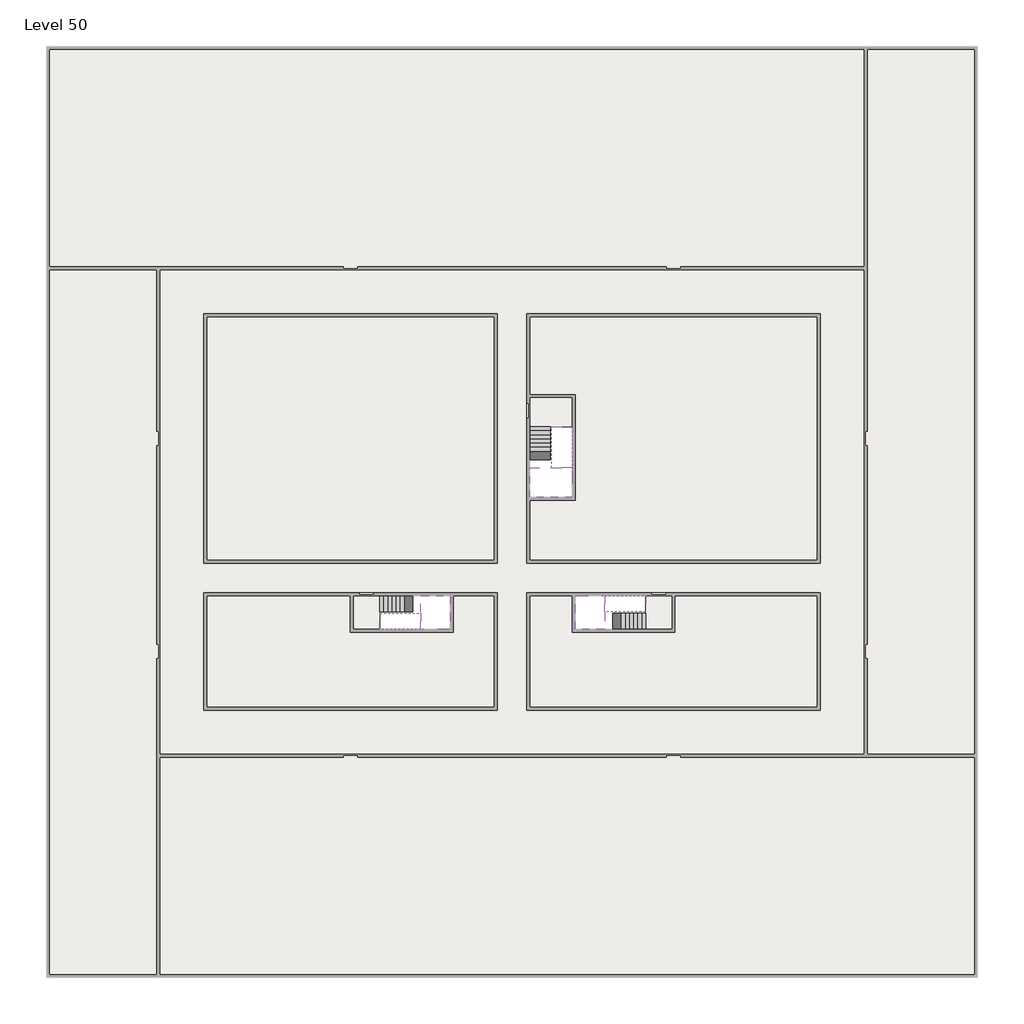
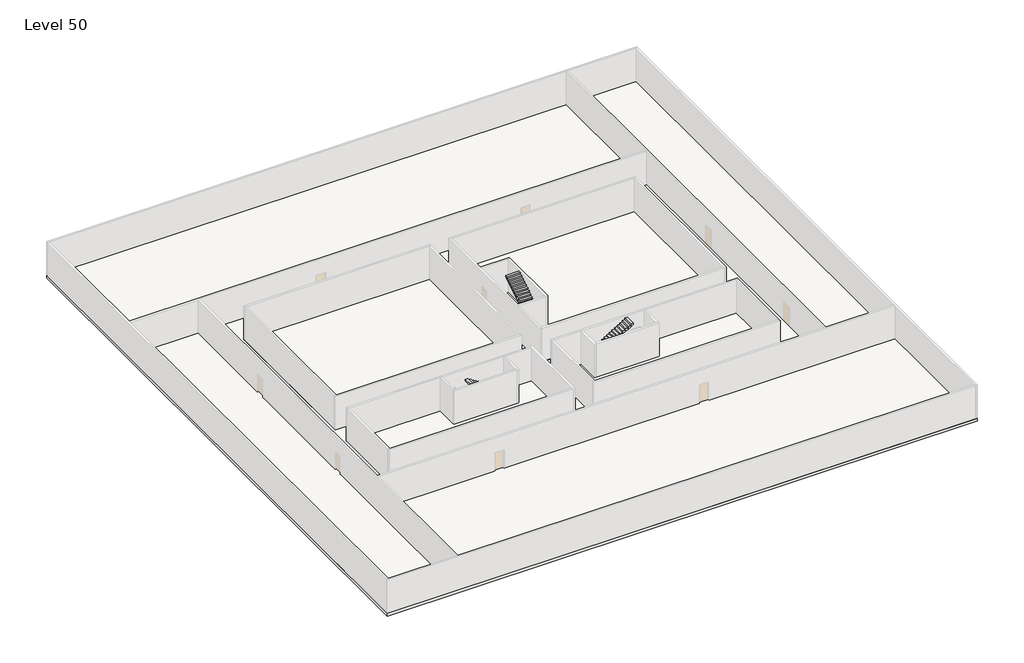
# One storey, part 2 of 2: 6 slabs, 6 stair flights.
"""IFC4 building model written with IfcOpenShell, lengths in millimetres."""

import ifcopenshell
import ifcopenshell.guid

model = None  # the IFC model being written
_history = None  # IfcOwnerHistory: only IFC2X3 demands one
_inside = {}  # id of a spatial element -> (the spatial element, [elements in it])
_under = {}  # id of a project, library or spatial element -> (it, [spatial elements below it])
_declared = {}  # id of a project -> (the project, [libraries it declares])
_typed = {}  # id of a type object -> (the type object, [elements of that type])
_made_of = {}  # id of a material, layer set ... -> (it, [elements and type objects made of it])


def new_model(schema):
    """Start an empty IFC model of exactly this schema.

    Asked for "IFC4X3", IfcOpenShell would pick the latest addendum, in which some entities
    have other attributes; the version numbers below select the first issue.
    IFC2X3 requires an IfcOwnerHistory on every rooted entity: one is made here for all.
    """
    global model, _history
    if schema == "IFC4X3":
        model = ifcopenshell.file(schema_version=(4, 3, 0, 0))
    else:
        model = ifcopenshell.file(schema=schema)
    _inside.clear()
    _under.clear()
    _declared.clear()
    _typed.clear()
    _made_of.clear()
    _history = None
    if model.schema == "IFC2X3":
        org = make("IfcOrganization", Name="unknown")
        user = make(
            "IfcPersonAndOrganization",
            ThePerson=make("IfcPerson", FamilyName="unknown"),
            TheOrganization=org,
        )
        app = make(
            "IfcApplication",
            ApplicationDeveloper=org,
            Version="unknown",
            ApplicationFullName="unknown",
            ApplicationIdentifier="unknown",
        )
        _history = make(
            "IfcOwnerHistory",
            OwningUser=user,
            OwningApplication=app,
            ChangeAction="ADDED",
            CreationDate=0,
        )
    return model


def make(cls, **values):
    """One entity of the class cls with the attributes given. An attribute that is None is left unset."""
    return model.create_entity(
        cls, **{name: value for name, value in values.items() if value is not None}
    )


def rooted(cls, **values):
    """An entity with a GlobalId (a new one), such as an element, a storey or a relation."""
    return make(cls, GlobalId=ifcopenshell.guid.new(), OwnerHistory=_history, **values)


def si_unit(unit_type, name, prefix=None):
    """IfcSIUnit, for example si_unit("LENGTHUNIT", "METRE", prefix="MILLI")."""
    return make("IfcSIUnit", UnitType=unit_type, Prefix=prefix, Name=name)


def assignment(units):
    """IfcUnitAssignment: the units of a project."""
    return None if units is None else make("IfcUnitAssignment", Units=units)


def point(xyz):
    """IfcCartesianPoint."""
    return None if xyz is None else make("IfcCartesianPoint", Coordinates=xyz)


def direction(xyz):
    """IfcDirection."""
    return None if xyz is None else make("IfcDirection", DirectionRatios=xyz)


def frame(location, z_axis=None, x_axis=None):
    """IfcAxis2Placement3D, a coordinate frame: its origin and axes. An axis left out is left unset."""
    return make(
        "IfcAxis2Placement3D",
        Location=point(location),
        Axis=direction(z_axis),
        RefDirection=direction(x_axis),
    )


def origin():
    """The frame at (0, 0, 0) with its axes left unset."""
    return frame((0.0, 0.0, 0.0))


def place(relative_to, where):
    """IfcLocalPlacement: puts the frame where relative to a parent placement (None: the world)."""
    return make(
        "IfcLocalPlacement", PlacementRelTo=relative_to, RelativePlacement=where
    )


def context(
    kind, dimensions, precision=None, world=None, true_north=None, identifier=None
):
    """IfcGeometricRepresentationContext, for example the 3D "Model" context."""
    return make(
        "IfcGeometricRepresentationContext",
        ContextIdentifier=identifier,
        ContextType=kind,
        CoordinateSpaceDimension=dimensions,
        Precision=precision,
        WorldCoordinateSystem=world,
        TrueNorth=true_north,
    )


def project(units=None, contexts=None):
    """IfcProject with its units and contexts."""
    return rooted(
        "IfcProject",
        Name="project",
        RepresentationContexts=contexts,
        UnitsInContext=assignment(units),
    )


def spatial(cls, under=None, at=None, **own):
    """A site, building, storey or space (cls), placed at a placement, below another one or the project."""
    s = rooted(cls, ObjectPlacement=at, **own)
    if under is not None:
        _under.setdefault(under.id(), (under, []))[1].append(s)
    return s


def polyline(points):
    """IfcPolyline through the points."""
    return make("IfcPolyline", Points=[point(p) for p in points])


def outline(outer, holes=None, kind="AREA"):
    """IfcArbitraryClosedProfileDef: a profile drawn as a closed curve; with holes, ...WithVoids."""
    if holes is None:
        return make("IfcArbitraryClosedProfileDef", ProfileType=kind, OuterCurve=outer)
    return make(
        "IfcArbitraryProfileDefWithVoids",
        ProfileType=kind,
        OuterCurve=outer,
        InnerCurves=holes,
    )


def extrude(swept, where, along, depth):
    """IfcExtrudedAreaSolid: the profile swept, set in the frame where, extruded along a direction by depth."""
    return make(
        "IfcExtrudedAreaSolid",
        SweptArea=swept,
        Position=where,
        ExtrudedDirection=direction(along),
        Depth=depth,
    )


def faces_of(points, faces, orient=None, outer=None):
    """IfcFace entities. A face is a list of loops; a loop is a list of indices into points, from 0.

    orient and outer hold one flag for each loop. By default every Orientation is true, the
    first loop of a face is its IfcFaceOuterBound and the others are IfcFaceBound.
    """
    made = []
    for i, loops in enumerate(faces):
        bounds = []
        for j, loop in enumerate(loops):
            is_outer = j == 0 if outer is None else outer[i][j]
            bounds.append(
                make(
                    "IfcFaceOuterBound" if is_outer else "IfcFaceBound",
                    Bound=make("IfcPolyLoop", Polygon=[points[k] for k in loop]),
                    Orientation=True if orient is None else orient[i][j],
                )
            )
        made.append(make("IfcFace", Bounds=bounds))
    return made


def faceted_brep(points, faces, orient=None, outer=None, voids=None):
    """IfcFacetedBrep: a solid bounded by flat faces; with voids (closed shells), ...WithVoids."""
    shared = [point(p) for p in points]
    hull = make("IfcClosedShell", CfsFaces=faces_of(shared, faces, orient, outer))
    if voids is None:
        return make("IfcFacetedBrep", Outer=hull)
    return make(
        "IfcFacetedBrepWithVoids",
        Outer=hull,
        Voids=[
            make(cls, CfsFaces=faces_of(shared, fs, o, b)) for cls, fs, o, b in voids
        ],
    )


def shape(context_of_items, identifier, shape_type, items):
    """IfcShapeRepresentation: the items that make up one representation, for example the "Body"."""
    return make(
        "IfcShapeRepresentation",
        ContextOfItems=context_of_items,
        RepresentationIdentifier=identifier,
        RepresentationType=shape_type,
        Items=items,
    )


def made_of(thing, what):
    """Note that an element or type object is made of a material, layer set ...; save() writes the relation."""
    if what is not None:
        _made_of.setdefault(what.id(), (what, []))[1].append(thing)
    return thing


def element(
    cls,
    number,
    at=None,
    inside=None,
    cuts=None,
    type_object=None,
    material=None,
    context=None,
    identifier="Body",
    shape_type=None,
    held_by="IfcProductDefinitionShape",
    body=None,
    shapes=None,
    **own,
):
    """One element of the class cls, such as IfcWall. Its Tag is "e" and its number.

    at: its placement. inside: the storey or other place that contains it. cuts: it is an
    opening in that element (IfcRelVoidsElement). A single representation is given by context,
    identifier, shape_type and body (its items); several are given by shapes. held_by: the class
    of the entity that holds the representations. save() writes the other relations.
    """
    e = rooted(cls, Tag="e%d" % number, ObjectPlacement=at, **own)
    if body is not None:
        shapes = [shape(context, identifier, shape_type, body)]
    if shapes is not None:
        e.Representation = make(held_by, Representations=shapes)
    if inside is not None:
        _inside.setdefault(inside.id(), (inside, []))[1].append(e)
    if cuts is not None:
        rooted(
            "IfcRelVoidsElement", RelatingBuildingElement=cuts, RelatedOpeningElement=e
        )
    if type_object is not None:
        _typed.setdefault(type_object.id(), (type_object, []))[1].append(e)
    return made_of(e, material)


def aggregate(whole, parts):
    """IfcRelAggregates: a whole, such as a stair, and the parts it consists of."""
    return rooted("IfcRelAggregates", RelatingObject=whole, RelatedObjects=parts)


def save(model, path):
    """Write the relations noted so far, then the file.

    IfcRelAggregates (storeys below a building ...), IfcRelContainedInSpatialStructure (elements
    in a storey), IfcRelDefinesByType, IfcRelAssociatesMaterial and IfcRelDeclares: one each for
    every whole, place, type object, material and project.
    """
    for whole, parts in _under.values():
        aggregate(whole, parts)
    for where, things in _inside.values():
        rooted(
            "IfcRelContainedInSpatialStructure",
            RelatedElements=things,
            RelatingStructure=where,
        )
    for kind, things in _typed.values():
        rooted("IfcRelDefinesByType", RelatedObjects=things, RelatingType=kind)
    for what, things in _made_of.values():
        rooted("IfcRelAssociatesMaterial", RelatedObjects=things, RelatingMaterial=what)
    for by, libraries in _declared.values():
        rooted("IfcRelDeclares", RelatingContext=by, RelatedDefinitions=libraries)
    model.write(path)


model = new_model("IFC4")

# Units and contexts
model_context = context("Model", 3, world=origin())
ifc_project = project(units=[si_unit("LENGTHUNIT", "METRE", prefix="MILLI")], contexts=[model_context])

# Site, building, storey
site = spatial("IfcSite", under=ifc_project)
building = spatial("IfcBuilding", under=site)
storey = spatial("IfcBuildingStorey", under=building, Name="Level 50", Elevation=186200.0)

# Slabs
placement = place(None, origin())
element("IfcSlab", 1, at=placement, inside=storey, context=model_context, shape_type="SweptSolid", body=[
    extrude(outline(polyline([(55890.1058784, -5518.09644), (55890.1058784, -68918.09644), (-7509.8941216, -68918.09644), (-7509.8941216, -5518.09644), (55890.1058784, -5518.09644)]), holes=[polyline([(23190.1058784, -23718.09644), (3190.1058784, -23718.09644), (3190.1058784, -40718.09644), (23190.1058784, -40718.09644), (23190.1058784, -23718.09644)]), polyline([(45190.1058784, -23718.09644), (25190.1058784, -23718.09644), (25190.1058784, -40718.09644), (45190.1058784, -40718.09644), (45190.1058784, -23718.09644)]), polyline([(23190.1058784, -50718.09644), (23190.1058784, -42718.09644), (3390.1058784, -42718.09644), (3390.1058784, -50718.09644), (23190.1058784, -50718.09644)]), polyline([(25190.1058784, -50718.09644), (45190.1058784, -50718.09644), (45190.1058784, -42718.09644), (25190.1058784, -42718.09644), (25190.1058784, -50718.09644)])]), frame((0.0, 0.0, 185900.0), z_axis=(0.0, 0.0, 1.0), x_axis=(1.0, 0.0, 0.0)), (0.0, 0.0, 1.0), 300.0),
])
element("IfcSlab", 2, at=placement, inside=storey, context=model_context, shape_type="Brep", body=[
    faceted_brep([(26790.1058784, -34218.09644, 188100.0), (25390.1058784, -34218.09644, 188100.0), (25390.1058784, -34297.4828763, 188100.0), (25390.1058784, -36218.09644, 188100.0), (28290.1058784, -36218.09644, 188100.0), (28290.1058784, -34418.7100038, 188100.0), (28290.1058784, -34218.09644, 188100.0), (26890.1058784, -34218.09644, 188100.0), (26790.1058784, -34218.09644, 187800.0), (26790.1058784, -34218.09644, 187751.0278478), (25390.1058784, -34218.09644, 187751.0278478), (25390.1058784, -34218.09644, 187927.2727273), (25390.1058784, -34297.4828763, 187800.0), (25390.1058784, -36218.09644, 187800.0), (28290.1058784, -36218.09644, 187800.0), (28290.1058784, -34418.7100038, 187800.0), (28290.1058784, -34218.09644, 187923.7551205), (26890.1058784, -34218.09644, 187923.7551205), (26890.1058784, -34218.09644, 187800.0), (26890.1058784, -34418.7100038, 187800.0), (26790.1058784, -34297.4828763, 187800.0)], [[[0, 1, 2, 3, 4, 5, 6, 7]], [[1, 0, 8, 9, 10, 11]], [[1, 11, 10, 12, 13, 3, 2]], [[4, 3, 13, 14]], [[4, 14, 15, 16, 6, 5]], [[7, 6, 16, 17]], [[0, 7, 17, 18, 8]], [[18, 19, 15, 14, 13, 12, 20, 8]], [[19, 18, 17]], [[20, 12, 10, 9]], [[8, 20, 9]], [[15, 19, 17, 16]]]),
])
element("IfcSlab", 3, at=placement, inside=storey, context=model_context, shape_type="SweptSolid", body=[
    extrude(outline(polyline([(22990.1058784, -23918.09644), (22990.1058784, -40518.09644), (3390.1058784, -40518.09644), (3390.1058784, -23918.09644), (22990.1058784, -23918.09644)])), frame((0.0, 0.0, 185900.0), z_axis=(0.0, 0.0, 1.0), x_axis=(1.0, 0.0, 0.0)), (0.0, 0.0, 1.0), 300.0),
    extrude(outline(polyline([(44990.1058784, -23918.09644), (44990.1058784, -40518.09644), (25390.1058784, -40518.09644), (25390.1058784, -36418.09644), (28490.1058784, -36418.09644), (28490.1058784, -29218.09644), (25390.1058784, -29218.09644), (25390.1058784, -23918.09644), (44990.1058784, -23918.09644)])), frame((0.0, 0.0, 185900.0), z_axis=(0.0, 0.0, 1.0), x_axis=(1.0, 0.0, 0.0)), (0.0, 0.0, 1.0), 300.0),
    extrude(outline(polyline([(22990.1058784, -42918.09644), (22990.1058784, -50518.09644), (3390.1058784, -50518.09644), (3390.1058784, -42918.09644), (13190.1058784, -42918.09644), (13190.1058784, -45418.09644), (20190.1058784, -45418.09644), (20190.1058784, -42918.09644), (22990.1058784, -42918.09644)])), frame((0.0, 0.0, 185900.0), z_axis=(0.0, 0.0, 1.0), x_axis=(1.0, 0.0, 0.0)), (0.0, 0.0, 1.0), 300.0),
    extrude(outline(polyline([(28290.1058784, -42918.09644), (28290.1058784, -45418.09644), (35290.1058784, -45418.09644), (35290.1058784, -42918.09644), (45090.1058784, -42918.09644), (45090.1058784, -50518.09644), (25390.1058784, -50518.09644), (25390.1058784, -42918.09644), (28290.1058784, -42918.09644)])), frame((0.0, 0.0, 185900.0), z_axis=(0.0, 0.0, 1.0), x_axis=(1.0, 0.0, 0.0)), (0.0, 0.0, 1.0), 300.0),
])
element("IfcSlab", 4, at=placement, inside=storey, context=model_context, shape_type="Brep", body=[
    faceted_brep([(30490.1058784, -45218.09644, 188100.0), (30490.1058784, -44118.09644, 188100.0), (30490.1058784, -44018.09644, 188100.0), (30490.1058784, -42918.09644, 188100.0), (30289.4923146, -42918.09644, 188100.0), (28490.1058784, -42918.09644, 188100.0), (28490.1058784, -45218.09644, 188100.0), (30410.7194421, -45218.09644, 188100.0), (30490.1058784, -45218.09644, 187927.2727273), (30490.1058784, -45218.09644, 187751.0278478), (30490.1058784, -44118.09644, 187751.0278478), (30490.1058784, -44118.09644, 187800.0), (30490.1058784, -44018.09644, 187800.0), (30490.1058784, -44018.09644, 187923.7551205), (30490.1058784, -42918.09644, 187923.7551205), (30289.4923146, -42918.09644, 187800.0), (28490.1058784, -42918.09644, 187800.0), (28490.1058784, -45218.09644, 187800.0), (30410.7194421, -45218.09644, 187800.0), (30289.4923146, -44018.09644, 187800.0), (30410.7194421, -44118.09644, 187800.0)], [[[0, 1, 2, 3, 4, 5, 6, 7]], [[1, 0, 8, 9, 10, 11]], [[2, 1, 11, 12, 13]], [[3, 2, 13, 14]], [[3, 14, 15, 16, 5, 4]], [[6, 5, 16, 17]], [[9, 8, 0, 7, 6, 17, 18]], [[19, 12, 11, 20, 18, 17, 16, 15]], [[12, 19, 13]], [[18, 20, 10, 9]], [[20, 11, 10]], [[19, 15, 14, 13]]]),
])
element("IfcSlab", 5, at=placement, inside=storey, context=model_context, shape_type="Brep", body=[
    faceted_brep([(17990.1058784, -42918.09644, 188100.0), (17990.1058784, -44018.09644, 188100.0), (17990.1058784, -44118.09644, 188100.0), (17990.1058784, -45218.09644, 188100.0), (18190.7194421, -45218.09644, 188100.0), (19990.1058784, -45218.09644, 188100.0), (19990.1058784, -42918.09644, 188100.0), (18069.4923146, -42918.09644, 188100.0), (17990.1058784, -42918.09644, 187927.2727273), (17990.1058784, -42918.09644, 187751.0278478), (17990.1058784, -44018.09644, 187751.0278478), (17990.1058784, -44018.09644, 187800.0), (17990.1058784, -44118.09644, 187800.0), (17990.1058784, -44118.09644, 187923.7551205), (17990.1058784, -45218.09644, 187923.7551205), (18190.7194421, -45218.09644, 187800.0), (19990.1058784, -45218.09644, 187800.0), (19990.1058784, -42918.09644, 187800.0), (18069.4923146, -42918.09644, 187800.0), (18190.7194421, -44118.09644, 187800.0), (18069.4923146, -44018.09644, 187800.0)], [[[0, 1, 2, 3, 4, 5, 6, 7]], [[1, 0, 8, 9, 10, 11]], [[2, 1, 11, 12, 13]], [[3, 2, 13, 14]], [[3, 14, 15, 16, 5, 4]], [[6, 5, 16, 17]], [[9, 8, 0, 7, 6, 17, 18]], [[19, 12, 11, 20, 18, 17, 16, 15]], [[12, 19, 13]], [[18, 20, 10, 9]], [[20, 11, 10]], [[19, 15, 14, 13]]]),
])
element("IfcSlab", 6, at=placement, inside=storey, context=model_context, shape_type="SweptSolid", body=[
    extrude(outline(polyline([(25190.1058784, -29418.09644), (28290.1058784, -29418.09644), (28290.1058784, -31418.09644), (25190.1058784, -31418.09644), (25190.1058784, -29418.09644)])), frame((0.0, 0.0, 185900.0), z_axis=(0.0, 0.0, 1.0), x_axis=(1.0, 0.0, 0.0)), (0.0, 0.0, 1.0), 300.0),
    extrude(outline(polyline([(15190.1058784, -45218.09644), (13390.1058784, -45218.09644), (13390.1058784, -42718.09644), (15190.1058784, -42718.09644), (15190.1058784, -45218.09644)])), frame((0.0, 0.0, 185900.0), z_axis=(0.0, 0.0, 1.0), x_axis=(1.0, 0.0, 0.0)), (0.0, 0.0, 1.0), 300.0),
    extrude(outline(polyline([(35090.1058784, -45218.09644), (33290.1058784, -45218.09644), (33290.1058784, -42718.09644), (35090.1058784, -42718.09644), (35090.1058784, -45218.09644)])), frame((0.0, 0.0, 185900.0), z_axis=(0.0, 0.0, 1.0), x_axis=(1.0, 0.0, 0.0)), (0.0, 0.0, 1.0), 300.0),
])

# Stair flights
element("IfcStairFlight", 7, at=placement, inside=storey, context=model_context, shape_type="Brep", body=[
    faceted_brep([(26790.1058784, -31698.09644, 186372.7272727), (26790.1058784, -31418.09644, 186372.7272727), (25390.1058784, -31418.09644, 186372.7272727), (25390.1058784, -31698.09644, 186372.7272727), (26790.1058784, -31698.09644, 186200.0), (26790.1058784, -31418.09644, 186200.0), (25390.1058784, -31418.09644, 186200.0), (25390.1058784, -31698.09644, 186200.0), (26790.1058784, -31978.09644, 186545.4545455), (26790.1058784, -31698.09644, 186545.4545455), (25390.1058784, -31698.09644, 186545.4545455), (25390.1058784, -31978.09644, 186545.4545455), (26790.1058784, -31978.09644, 186369.209666), (26790.1058784, -31703.7986657, 186200.0), (25390.1058784, -31703.7986657, 186200.0), (25390.1058784, -31978.09644, 186369.209666), (26790.1058784, -32258.09644, 186718.1818182), (26790.1058784, -31978.09644, 186718.1818182), (25390.1058784, -31978.09644, 186718.1818182), (25390.1058784, -32258.09644, 186718.1818182), (26790.1058784, -32258.09644, 186541.9369387), (25390.1058784, -32258.09644, 186541.9369387), (26790.1058784, -32538.09644, 186890.9090909), (26790.1058784, -32258.09644, 186890.9090909), (25390.1058784, -32258.09644, 186890.9090909), (25390.1058784, -32538.09644, 186890.9090909), (26790.1058784, -32538.09644, 186714.6642114), (25390.1058784, -32538.09644, 186714.6642114), (26790.1058784, -32818.09644, 187063.6363636), (26790.1058784, -32538.09644, 187063.6363636), (25390.1058784, -32538.09644, 187063.6363636), (25390.1058784, -32818.09644, 187063.6363636), (26790.1058784, -32818.09644, 186887.3914841), (25390.1058784, -32818.09644, 186887.3914841), (26790.1058784, -33098.09644, 187236.3636364), (26790.1058784, -32818.09644, 187236.3636364), (25390.1058784, -32818.09644, 187236.3636364), (25390.1058784, -33098.09644, 187236.3636364), (26790.1058784, -33098.09644, 187060.1187569), (25390.1058784, -33098.09644, 187060.1187569), (26790.1058784, -33378.09644, 187409.0909091), (26790.1058784, -33098.09644, 187409.0909091), (25390.1058784, -33098.09644, 187409.0909091), (25390.1058784, -33378.09644, 187409.0909091), (26790.1058784, -33378.09644, 187232.8460296), (25390.1058784, -33378.09644, 187232.8460296), (26790.1058784, -33658.09644, 187581.8181818), (26790.1058784, -33378.09644, 187581.8181818), (25390.1058784, -33378.09644, 187581.8181818), (25390.1058784, -33658.09644, 187581.8181818), (26790.1058784, -33658.09644, 187405.5733023), (25390.1058784, -33658.09644, 187405.5733023), (26790.1058784, -33938.09644, 187754.5454545), (26790.1058784, -33658.09644, 187754.5454545), (25390.1058784, -33658.09644, 187754.5454545), (25390.1058784, -33938.09644, 187754.5454545), (26790.1058784, -33938.09644, 187578.3005751), (25390.1058784, -33938.09644, 187578.3005751), (26790.1058784, -34218.09644, 187927.2727273), (26790.1058784, -33938.09644, 187927.2727273), (25390.1058784, -33938.09644, 187927.2727273), (25390.1058784, -34218.09644, 187927.2727273), (26790.1058784, -34218.09644, 187800.0), (26790.1058784, -34218.09644, 187751.0278478), (25390.1058784, -34218.09644, 187751.0278478)], [[[0, 1, 2, 3]], [[1, 0, 4, 5]], [[2, 1, 5, 6]], [[3, 2, 6, 7]], [[8, 9, 10, 11]], [[4, 0, 9, 8, 12, 13]], [[0, 3, 10, 9]], [[3, 7, 14, 15, 11, 10]], [[16, 17, 18, 19]], [[17, 16, 20, 12, 8]], [[8, 11, 18, 17]], [[19, 18, 11, 15, 21]], [[22, 23, 24, 25]], [[23, 22, 26, 20, 16]], [[16, 19, 24, 23]], [[25, 24, 19, 21, 27]], [[28, 29, 30, 31]], [[29, 28, 32, 26, 22]], [[22, 25, 30, 29]], [[31, 30, 25, 27, 33]], [[34, 35, 36, 37]], [[35, 34, 38, 32, 28]], [[28, 31, 36, 35]], [[37, 36, 31, 33, 39]], [[40, 41, 42, 43]], [[41, 40, 44, 38, 34]], [[34, 37, 42, 41]], [[43, 42, 37, 39, 45]], [[46, 47, 48, 49]], [[47, 46, 50, 44, 40]], [[40, 43, 48, 47]], [[49, 48, 43, 45, 51]], [[52, 53, 54, 55]], [[53, 52, 56, 50, 46]], [[46, 49, 54, 53]], [[55, 54, 49, 51, 57]], [[58, 59, 60, 61]], [[59, 58, 62, 63, 56, 52]], [[52, 55, 60, 59]], [[61, 60, 55, 57, 64]], [[58, 61, 64, 63, 62]], [[5, 4, 13, 14, 7, 6]], [[14, 13, 12, 20, 26, 32, 38, 44, 50, 56, 63, 64, 57, 51, 45, 39, 33, 27, 21, 15]]]),
])
element("IfcStairFlight", 8, at=placement, inside=storey, context=model_context, shape_type="Brep", body=[
    faceted_brep([(26890.1058784, -33938.09644, 188272.7272727), (26890.1058784, -34218.09644, 188272.7272727), (28290.1058784, -34218.09644, 188272.7272727), (28290.1058784, -33938.09644, 188272.7272727), (26890.1058784, -33938.09644, 188096.4823932), (26890.1058784, -34218.09644, 187923.7551205), (28290.1058784, -34218.09644, 187923.7551205), (28290.1058784, -34218.09644, 188100.0), (28290.1058784, -33938.09644, 188096.4823932), (26890.1058784, -33658.09644, 188445.4545455), (26890.1058784, -33938.09644, 188445.4545455), (28290.1058784, -33938.09644, 188445.4545455), (28290.1058784, -33658.09644, 188445.4545455), (26890.1058784, -33658.09644, 188269.209666), (28290.1058784, -33658.09644, 188269.209666), (26890.1058784, -33378.09644, 188618.1818182), (26890.1058784, -33658.09644, 188618.1818182), (28290.1058784, -33658.09644, 188618.1818182), (28290.1058784, -33378.09644, 188618.1818182), (26890.1058784, -33378.09644, 188441.9369387), (28290.1058784, -33378.09644, 188441.9369387), (26890.1058784, -33098.09644, 188790.9090909), (26890.1058784, -33378.09644, 188790.9090909), (28290.1058784, -33378.09644, 188790.9090909), (28290.1058784, -33098.09644, 188790.9090909), (26890.1058784, -33098.09644, 188614.6642114), (28290.1058784, -33098.09644, 188614.6642114), (26890.1058784, -32818.09644, 188963.6363636), (26890.1058784, -33098.09644, 188963.6363636), (28290.1058784, -33098.09644, 188963.6363636), (28290.1058784, -32818.09644, 188963.6363636), (26890.1058784, -32818.09644, 188787.3914841), (28290.1058784, -32818.09644, 188787.3914841), (26890.1058784, -32538.09644, 189136.3636364), (26890.1058784, -32818.09644, 189136.3636364), (28290.1058784, -32818.09644, 189136.3636364), (28290.1058784, -32538.09644, 189136.3636364), (26890.1058784, -32538.09644, 188960.1187569), (28290.1058784, -32538.09644, 188960.1187569), (26890.1058784, -32258.09644, 189309.0909091), (26890.1058784, -32538.09644, 189309.0909091), (28290.1058784, -32538.09644, 189309.0909091), (28290.1058784, -32258.09644, 189309.0909091), (26890.1058784, -32258.09644, 189132.8460296), (28290.1058784, -32258.09644, 189132.8460296), (26890.1058784, -31978.09644, 189481.8181818), (26890.1058784, -32258.09644, 189481.8181818), (28290.1058784, -32258.09644, 189481.8181818), (28290.1058784, -31978.09644, 189481.8181818), (26890.1058784, -31978.09644, 189305.5733023), (28290.1058784, -31978.09644, 189305.5733023), (26890.1058784, -31698.09644, 189654.5454545), (26890.1058784, -31978.09644, 189654.5454545), (28290.1058784, -31978.09644, 189654.5454545), (28290.1058784, -31698.09644, 189654.5454545), (26890.1058784, -31698.09644, 189478.3005751), (28290.1058784, -31698.09644, 189478.3005751), (26890.1058784, -31418.09644, 189827.2727273), (26890.1058784, -31698.09644, 189827.2727273), (28290.1058784, -31698.09644, 189827.2727273), (28290.1058784, -31418.09644, 189827.2727273), (26890.1058784, -31418.09644, 189651.0278478), (28290.1058784, -31418.09644, 189651.0278478)], [[[0, 1, 2, 3]], [[1, 0, 4, 5]], [[2, 1, 5, 6, 7]], [[3, 2, 7, 6, 8]], [[9, 10, 11, 12]], [[10, 9, 13, 4, 0]], [[11, 10, 0, 3]], [[12, 11, 3, 8, 14]], [[15, 16, 17, 18]], [[16, 15, 19, 13, 9]], [[17, 16, 9, 12]], [[18, 17, 12, 14, 20]], [[21, 22, 23, 24]], [[22, 21, 25, 19, 15]], [[23, 22, 15, 18]], [[24, 23, 18, 20, 26]], [[27, 28, 29, 30]], [[28, 27, 31, 25, 21]], [[29, 28, 21, 24]], [[30, 29, 24, 26, 32]], [[33, 34, 35, 36]], [[34, 33, 37, 31, 27]], [[35, 34, 27, 30]], [[36, 35, 30, 32, 38]], [[39, 40, 41, 42]], [[40, 39, 43, 37, 33]], [[41, 40, 33, 36]], [[42, 41, 36, 38, 44]], [[45, 46, 47, 48]], [[46, 45, 49, 43, 39]], [[47, 46, 39, 42]], [[48, 47, 42, 44, 50]], [[51, 52, 53, 54]], [[52, 51, 55, 49, 45]], [[53, 52, 45, 48]], [[54, 53, 48, 50, 56]], [[57, 58, 59, 60]], [[58, 57, 61, 55, 51]], [[59, 58, 51, 54]], [[60, 59, 54, 56, 62]], [[57, 60, 62, 61]], [[5, 4, 13, 19, 25, 31, 37, 43, 49, 55, 61, 62, 56, 50, 44, 38, 32, 26, 20, 14, 8, 6]]]),
])
element("IfcStairFlight", 9, at=placement, inside=storey, context=model_context, shape_type="Brep", body=[
    faceted_brep([(33010.1058784, -45218.09644, 186372.7272727), (33290.1058784, -45218.09644, 186372.7272727), (33290.1058784, -44118.09644, 186372.7272727), (33010.1058784, -44118.09644, 186372.7272727), (33010.1058784, -45218.09644, 186200.0), (33290.1058784, -45218.09644, 186200.0), (33290.1058784, -44118.09644, 186200.0), (33010.1058784, -44118.09644, 186200.0), (32730.1058784, -45218.09644, 186545.4545455), (33010.1058784, -45218.09644, 186545.4545455), (33010.1058784, -44118.09644, 186545.4545455), (32730.1058784, -44118.09644, 186545.4545455), (32730.1058784, -45218.09644, 186369.209666), (33004.4036527, -45218.09644, 186200.0), (33004.4036527, -44118.09644, 186200.0), (32730.1058784, -44118.09644, 186369.209666), (32450.1058784, -45218.09644, 186718.1818182), (32730.1058784, -45218.09644, 186718.1818182), (32730.1058784, -44118.09644, 186718.1818182), (32450.1058784, -44118.09644, 186718.1818182), (32450.1058784, -45218.09644, 186541.9369387), (32450.1058784, -44118.09644, 186541.9369387), (32170.1058784, -45218.09644, 186890.9090909), (32450.1058784, -45218.09644, 186890.9090909), (32450.1058784, -44118.09644, 186890.9090909), (32170.1058784, -44118.09644, 186890.9090909), (32170.1058784, -45218.09644, 186714.6642114), (32170.1058784, -44118.09644, 186714.6642114), (31890.1058784, -45218.09644, 187063.6363636), (32170.1058784, -45218.09644, 187063.6363636), (32170.1058784, -44118.09644, 187063.6363636), (31890.1058784, -44118.09644, 187063.6363636), (31890.1058784, -45218.09644, 186887.3914841), (31890.1058784, -44118.09644, 186887.3914841), (31610.1058784, -45218.09644, 187236.3636364), (31890.1058784, -45218.09644, 187236.3636364), (31890.1058784, -44118.09644, 187236.3636364), (31610.1058784, -44118.09644, 187236.3636364), (31610.1058784, -45218.09644, 187060.1187569), (31610.1058784, -44118.09644, 187060.1187569), (31330.1058784, -45218.09644, 187409.0909091), (31610.1058784, -45218.09644, 187409.0909091), (31610.1058784, -44118.09644, 187409.0909091), (31330.1058784, -44118.09644, 187409.0909091), (31330.1058784, -45218.09644, 187232.8460296), (31330.1058784, -44118.09644, 187232.8460296), (31050.1058784, -45218.09644, 187581.8181818), (31330.1058784, -45218.09644, 187581.8181818), (31330.1058784, -44118.09644, 187581.8181818), (31050.1058784, -44118.09644, 187581.8181818), (31050.1058784, -45218.09644, 187405.5733023), (31050.1058784, -44118.09644, 187405.5733023), (30770.1058784, -45218.09644, 187754.5454545), (31050.1058784, -45218.09644, 187754.5454545), (31050.1058784, -44118.09644, 187754.5454545), (30770.1058784, -44118.09644, 187754.5454545), (30770.1058784, -45218.09644, 187578.3005751), (30770.1058784, -44118.09644, 187578.3005751), (30490.1058784, -45218.09644, 187927.2727273), (30770.1058784, -45218.09644, 187927.2727273), (30770.1058784, -44118.09644, 187927.2727273), (30490.1058784, -44118.09644, 187927.2727273), (30490.1058784, -45218.09644, 187751.0278478), (30490.1058784, -44118.09644, 187751.0278478), (30490.1058784, -44118.09644, 187800.0)], [[[0, 1, 2, 3]], [[1, 0, 4, 5]], [[2, 1, 5, 6]], [[3, 2, 6, 7]], [[8, 9, 10, 11]], [[4, 0, 9, 8, 12, 13]], [[0, 3, 10, 9]], [[3, 7, 14, 15, 11, 10]], [[16, 17, 18, 19]], [[17, 16, 20, 12, 8]], [[8, 11, 18, 17]], [[19, 18, 11, 15, 21]], [[22, 23, 24, 25]], [[23, 22, 26, 20, 16]], [[16, 19, 24, 23]], [[25, 24, 19, 21, 27]], [[28, 29, 30, 31]], [[29, 28, 32, 26, 22]], [[22, 25, 30, 29]], [[31, 30, 25, 27, 33]], [[34, 35, 36, 37]], [[35, 34, 38, 32, 28]], [[28, 31, 36, 35]], [[37, 36, 31, 33, 39]], [[40, 41, 42, 43]], [[41, 40, 44, 38, 34]], [[34, 37, 42, 41]], [[43, 42, 37, 39, 45]], [[46, 47, 48, 49]], [[47, 46, 50, 44, 40]], [[40, 43, 48, 47]], [[49, 48, 43, 45, 51]], [[52, 53, 54, 55]], [[53, 52, 56, 50, 46]], [[46, 49, 54, 53]], [[55, 54, 49, 51, 57]], [[58, 59, 60, 61]], [[59, 58, 62, 56, 52]], [[52, 55, 60, 59]], [[61, 60, 55, 57, 63, 64]], [[58, 61, 64, 63, 62]], [[5, 4, 13, 14, 7, 6]], [[14, 13, 12, 20, 26, 32, 38, 44, 50, 56, 62, 63, 57, 51, 45, 39, 33, 27, 21, 15]]]),
])
element("IfcStairFlight", 10, at=placement, inside=storey, context=model_context, shape_type="Brep", body=[
    faceted_brep([(30770.1058784, -42918.09644, 188272.7272727), (30490.1058784, -42918.09644, 188272.7272727), (30490.1058784, -44018.09644, 188272.7272727), (30770.1058784, -44018.09644, 188272.7272727), (30770.1058784, -42918.09644, 188096.4823932), (30490.1058784, -42918.09644, 187923.7551205), (30490.1058784, -42918.09644, 188100.0), (30490.1058784, -44018.09644, 187923.7551205), (30770.1058784, -44018.09644, 188096.4823932), (31050.1058784, -42918.09644, 188445.4545455), (30770.1058784, -42918.09644, 188445.4545455), (30770.1058784, -44018.09644, 188445.4545455), (31050.1058784, -44018.09644, 188445.4545455), (31050.1058784, -42918.09644, 188269.209666), (31050.1058784, -44018.09644, 188269.209666), (31330.1058784, -42918.09644, 188618.1818182), (31050.1058784, -42918.09644, 188618.1818182), (31050.1058784, -44018.09644, 188618.1818182), (31330.1058784, -44018.09644, 188618.1818182), (31330.1058784, -42918.09644, 188441.9369387), (31330.1058784, -44018.09644, 188441.9369387), (31610.1058784, -42918.09644, 188790.9090909), (31330.1058784, -42918.09644, 188790.9090909), (31330.1058784, -44018.09644, 188790.9090909), (31610.1058784, -44018.09644, 188790.9090909), (31610.1058784, -42918.09644, 188614.6642114), (31610.1058784, -44018.09644, 188614.6642114), (31890.1058784, -42918.09644, 188963.6363636), (31610.1058784, -42918.09644, 188963.6363636), (31610.1058784, -44018.09644, 188963.6363636), (31890.1058784, -44018.09644, 188963.6363636), (31890.1058784, -42918.09644, 188787.3914841), (31890.1058784, -44018.09644, 188787.3914841), (32170.1058784, -42918.09644, 189136.3636364), (31890.1058784, -42918.09644, 189136.3636364), (31890.1058784, -44018.09644, 189136.3636364), (32170.1058784, -44018.09644, 189136.3636364), (32170.1058784, -42918.09644, 188960.1187569), (32170.1058784, -44018.09644, 188960.1187569), (32450.1058784, -42918.09644, 189309.0909091), (32170.1058784, -42918.09644, 189309.0909091), (32170.1058784, -44018.09644, 189309.0909091), (32450.1058784, -44018.09644, 189309.0909091), (32450.1058784, -42918.09644, 189132.8460296), (32450.1058784, -44018.09644, 189132.8460296), (32730.1058784, -42918.09644, 189481.8181818), (32450.1058784, -42918.09644, 189481.8181818), (32450.1058784, -44018.09644, 189481.8181818), (32730.1058784, -44018.09644, 189481.8181818), (32730.1058784, -42918.09644, 189305.5733023), (32730.1058784, -44018.09644, 189305.5733023), (33010.1058784, -42918.09644, 189654.5454545), (32730.1058784, -42918.09644, 189654.5454545), (32730.1058784, -44018.09644, 189654.5454545), (33010.1058784, -44018.09644, 189654.5454545), (33010.1058784, -42918.09644, 189478.3005751), (33010.1058784, -44018.09644, 189478.3005751), (33290.1058784, -42918.09644, 189827.2727273), (33010.1058784, -42918.09644, 189827.2727273), (33010.1058784, -44018.09644, 189827.2727273), (33290.1058784, -44018.09644, 189827.2727273), (33290.1058784, -42918.09644, 189651.0278478), (33290.1058784, -44018.09644, 189651.0278478)], [[[0, 1, 2, 3]], [[1, 0, 4, 5, 6]], [[2, 1, 6, 5, 7]], [[3, 2, 7, 8]], [[9, 10, 11, 12]], [[10, 9, 13, 4, 0]], [[11, 10, 0, 3]], [[12, 11, 3, 8, 14]], [[15, 16, 17, 18]], [[16, 15, 19, 13, 9]], [[17, 16, 9, 12]], [[18, 17, 12, 14, 20]], [[21, 22, 23, 24]], [[22, 21, 25, 19, 15]], [[23, 22, 15, 18]], [[24, 23, 18, 20, 26]], [[27, 28, 29, 30]], [[28, 27, 31, 25, 21]], [[29, 28, 21, 24]], [[30, 29, 24, 26, 32]], [[33, 34, 35, 36]], [[34, 33, 37, 31, 27]], [[35, 34, 27, 30]], [[36, 35, 30, 32, 38]], [[39, 40, 41, 42]], [[40, 39, 43, 37, 33]], [[41, 40, 33, 36]], [[42, 41, 36, 38, 44]], [[45, 46, 47, 48]], [[46, 45, 49, 43, 39]], [[47, 46, 39, 42]], [[48, 47, 42, 44, 50]], [[51, 52, 53, 54]], [[52, 51, 55, 49, 45]], [[53, 52, 45, 48]], [[54, 53, 48, 50, 56]], [[57, 58, 59, 60]], [[58, 57, 61, 55, 51]], [[59, 58, 51, 54]], [[60, 59, 54, 56, 62]], [[57, 60, 62, 61]], [[5, 4, 13, 19, 25, 31, 37, 43, 49, 55, 61, 62, 56, 50, 44, 38, 32, 26, 20, 14, 8, 7]]]),
])
element("IfcStairFlight", 11, at=placement, inside=storey, context=model_context, shape_type="Brep", body=[
    faceted_brep([(15470.1058784, -42918.09644, 186372.7272727), (15190.1058784, -42918.09644, 186372.7272727), (15190.1058784, -44018.09644, 186372.7272727), (15470.1058784, -44018.09644, 186372.7272727), (15470.1058784, -42918.09644, 186200.0), (15190.1058784, -42918.09644, 186200.0), (15190.1058784, -44018.09644, 186200.0), (15470.1058784, -44018.09644, 186200.0), (15750.1058784, -42918.09644, 186545.4545455), (15470.1058784, -42918.09644, 186545.4545455), (15470.1058784, -44018.09644, 186545.4545455), (15750.1058784, -44018.09644, 186545.4545455), (15750.1058784, -42918.09644, 186369.209666), (15475.8081041, -42918.09644, 186200.0), (15475.8081041, -44018.09644, 186200.0), (15750.1058784, -44018.09644, 186369.209666), (16030.1058784, -42918.09644, 186718.1818182), (15750.1058784, -42918.09644, 186718.1818182), (15750.1058784, -44018.09644, 186718.1818182), (16030.1058784, -44018.09644, 186718.1818182), (16030.1058784, -42918.09644, 186541.9369387), (16030.1058784, -44018.09644, 186541.9369387), (16310.1058784, -42918.09644, 186890.9090909), (16030.1058784, -42918.09644, 186890.9090909), (16030.1058784, -44018.09644, 186890.9090909), (16310.1058784, -44018.09644, 186890.9090909), (16310.1058784, -42918.09644, 186714.6642114), (16310.1058784, -44018.09644, 186714.6642114), (16590.1058784, -42918.09644, 187063.6363636), (16310.1058784, -42918.09644, 187063.6363636), (16310.1058784, -44018.09644, 187063.6363636), (16590.1058784, -44018.09644, 187063.6363636), (16590.1058784, -42918.09644, 186887.3914841), (16590.1058784, -44018.09644, 186887.3914841), (16870.1058784, -42918.09644, 187236.3636364), (16590.1058784, -42918.09644, 187236.3636364), (16590.1058784, -44018.09644, 187236.3636364), (16870.1058784, -44018.09644, 187236.3636364), (16870.1058784, -42918.09644, 187060.1187569), (16870.1058784, -44018.09644, 187060.1187569), (17150.1058784, -42918.09644, 187409.0909091), (16870.1058784, -42918.09644, 187409.0909091), (16870.1058784, -44018.09644, 187409.0909091), (17150.1058784, -44018.09644, 187409.0909091), (17150.1058784, -42918.09644, 187232.8460296), (17150.1058784, -44018.09644, 187232.8460296), (17430.1058784, -42918.09644, 187581.8181818), (17150.1058784, -42918.09644, 187581.8181818), (17150.1058784, -44018.09644, 187581.8181818), (17430.1058784, -44018.09644, 187581.8181818), (17430.1058784, -42918.09644, 187405.5733023), (17430.1058784, -44018.09644, 187405.5733023), (17710.1058784, -42918.09644, 187754.5454545), (17430.1058784, -42918.09644, 187754.5454545), (17430.1058784, -44018.09644, 187754.5454545), (17710.1058784, -44018.09644, 187754.5454545), (17710.1058784, -42918.09644, 187578.3005751), (17710.1058784, -44018.09644, 187578.3005751), (17990.1058784, -42918.09644, 187927.2727273), (17710.1058784, -42918.09644, 187927.2727273), (17710.1058784, -44018.09644, 187927.2727273), (17990.1058784, -44018.09644, 187927.2727273), (17990.1058784, -42918.09644, 187751.0278478), (17990.1058784, -44018.09644, 187751.0278478), (17990.1058784, -44018.09644, 187800.0)], [[[0, 1, 2, 3]], [[1, 0, 4, 5]], [[2, 1, 5, 6]], [[3, 2, 6, 7]], [[8, 9, 10, 11]], [[4, 0, 9, 8, 12, 13]], [[0, 3, 10, 9]], [[3, 7, 14, 15, 11, 10]], [[16, 17, 18, 19]], [[17, 16, 20, 12, 8]], [[8, 11, 18, 17]], [[19, 18, 11, 15, 21]], [[22, 23, 24, 25]], [[23, 22, 26, 20, 16]], [[16, 19, 24, 23]], [[25, 24, 19, 21, 27]], [[28, 29, 30, 31]], [[29, 28, 32, 26, 22]], [[22, 25, 30, 29]], [[31, 30, 25, 27, 33]], [[34, 35, 36, 37]], [[35, 34, 38, 32, 28]], [[28, 31, 36, 35]], [[37, 36, 31, 33, 39]], [[40, 41, 42, 43]], [[41, 40, 44, 38, 34]], [[34, 37, 42, 41]], [[43, 42, 37, 39, 45]], [[46, 47, 48, 49]], [[47, 46, 50, 44, 40]], [[40, 43, 48, 47]], [[49, 48, 43, 45, 51]], [[52, 53, 54, 55]], [[53, 52, 56, 50, 46]], [[46, 49, 54, 53]], [[55, 54, 49, 51, 57]], [[58, 59, 60, 61]], [[59, 58, 62, 56, 52]], [[52, 55, 60, 59]], [[61, 60, 55, 57, 63, 64]], [[58, 61, 64, 63, 62]], [[5, 4, 13, 14, 7, 6]], [[14, 13, 12, 20, 26, 32, 38, 44, 50, 56, 62, 63, 57, 51, 45, 39, 33, 27, 21, 15]]]),
])
element("IfcStairFlight", 12, at=placement, inside=storey, context=model_context, shape_type="Brep", body=[
    faceted_brep([(17710.1058784, -45218.09644, 188272.7272727), (17990.1058784, -45218.09644, 188272.7272727), (17990.1058784, -44118.09644, 188272.7272727), (17710.1058784, -44118.09644, 188272.7272727), (17710.1058784, -45218.09644, 188096.4823932), (17990.1058784, -45218.09644, 187923.7551205), (17990.1058784, -45218.09644, 188100.0), (17990.1058784, -44118.09644, 187923.7551205), (17710.1058784, -44118.09644, 188096.4823932), (17430.1058784, -45218.09644, 188445.4545455), (17710.1058784, -45218.09644, 188445.4545455), (17710.1058784, -44118.09644, 188445.4545455), (17430.1058784, -44118.09644, 188445.4545455), (17430.1058784, -45218.09644, 188269.209666), (17430.1058784, -44118.09644, 188269.209666), (17150.1058784, -45218.09644, 188618.1818182), (17430.1058784, -45218.09644, 188618.1818182), (17430.1058784, -44118.09644, 188618.1818182), (17150.1058784, -44118.09644, 188618.1818182), (17150.1058784, -45218.09644, 188441.9369387), (17150.1058784, -44118.09644, 188441.9369387), (16870.1058784, -45218.09644, 188790.9090909), (17150.1058784, -45218.09644, 188790.9090909), (17150.1058784, -44118.09644, 188790.9090909), (16870.1058784, -44118.09644, 188790.9090909), (16870.1058784, -45218.09644, 188614.6642114), (16870.1058784, -44118.09644, 188614.6642114), (16590.1058784, -45218.09644, 188963.6363636), (16870.1058784, -45218.09644, 188963.6363636), (16870.1058784, -44118.09644, 188963.6363636), (16590.1058784, -44118.09644, 188963.6363636), (16590.1058784, -45218.09644, 188787.3914841), (16590.1058784, -44118.09644, 188787.3914841), (16310.1058784, -45218.09644, 189136.3636364), (16590.1058784, -45218.09644, 189136.3636364), (16590.1058784, -44118.09644, 189136.3636364), (16310.1058784, -44118.09644, 189136.3636364), (16310.1058784, -45218.09644, 188960.1187569), (16310.1058784, -44118.09644, 188960.1187569), (16030.1058784, -45218.09644, 189309.0909091), (16310.1058784, -45218.09644, 189309.0909091), (16310.1058784, -44118.09644, 189309.0909091), (16030.1058784, -44118.09644, 189309.0909091), (16030.1058784, -45218.09644, 189132.8460296), (16030.1058784, -44118.09644, 189132.8460296), (15750.1058784, -45218.09644, 189481.8181818), (16030.1058784, -45218.09644, 189481.8181818), (16030.1058784, -44118.09644, 189481.8181818), (15750.1058784, -44118.09644, 189481.8181818), (15750.1058784, -45218.09644, 189305.5733023), (15750.1058784, -44118.09644, 189305.5733023), (15470.1058784, -45218.09644, 189654.5454545), (15750.1058784, -45218.09644, 189654.5454545), (15750.1058784, -44118.09644, 189654.5454545), (15470.1058784, -44118.09644, 189654.5454545), (15470.1058784, -45218.09644, 189478.3005751), (15470.1058784, -44118.09644, 189478.3005751), (15190.1058784, -45218.09644, 189827.2727273), (15470.1058784, -45218.09644, 189827.2727273), (15470.1058784, -44118.09644, 189827.2727273), (15190.1058784, -44118.09644, 189827.2727273), (15190.1058784, -45218.09644, 189651.0278478), (15190.1058784, -44118.09644, 189651.0278478)], [[[0, 1, 2, 3]], [[1, 0, 4, 5, 6]], [[2, 1, 6, 5, 7]], [[3, 2, 7, 8]], [[9, 10, 11, 12]], [[10, 9, 13, 4, 0]], [[11, 10, 0, 3]], [[12, 11, 3, 8, 14]], [[15, 16, 17, 18]], [[16, 15, 19, 13, 9]], [[17, 16, 9, 12]], [[18, 17, 12, 14, 20]], [[21, 22, 23, 24]], [[22, 21, 25, 19, 15]], [[23, 22, 15, 18]], [[24, 23, 18, 20, 26]], [[27, 28, 29, 30]], [[28, 27, 31, 25, 21]], [[29, 28, 21, 24]], [[30, 29, 24, 26, 32]], [[33, 34, 35, 36]], [[34, 33, 37, 31, 27]], [[35, 34, 27, 30]], [[36, 35, 30, 32, 38]], [[39, 40, 41, 42]], [[40, 39, 43, 37, 33]], [[41, 40, 33, 36]], [[42, 41, 36, 38, 44]], [[45, 46, 47, 48]], [[46, 45, 49, 43, 39]], [[47, 46, 39, 42]], [[48, 47, 42, 44, 50]], [[51, 52, 53, 54]], [[52, 51, 55, 49, 45]], [[53, 52, 45, 48]], [[54, 53, 48, 50, 56]], [[57, 58, 59, 60]], [[58, 57, 61, 55, 51]], [[59, 58, 51, 54]], [[60, 59, 54, 56, 62]], [[57, 60, 62, 61]], [[5, 4, 13, 19, 25, 31, 37, 43, 49, 55, 61, 62, 56, 50, 44, 38, 32, 26, 20, 14, 8, 7]]]),
])

save(model, "model.ifc")
